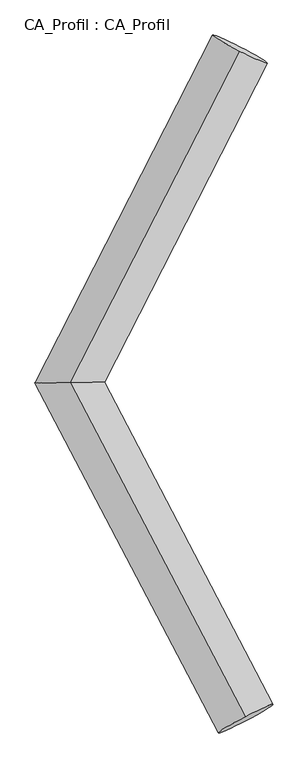
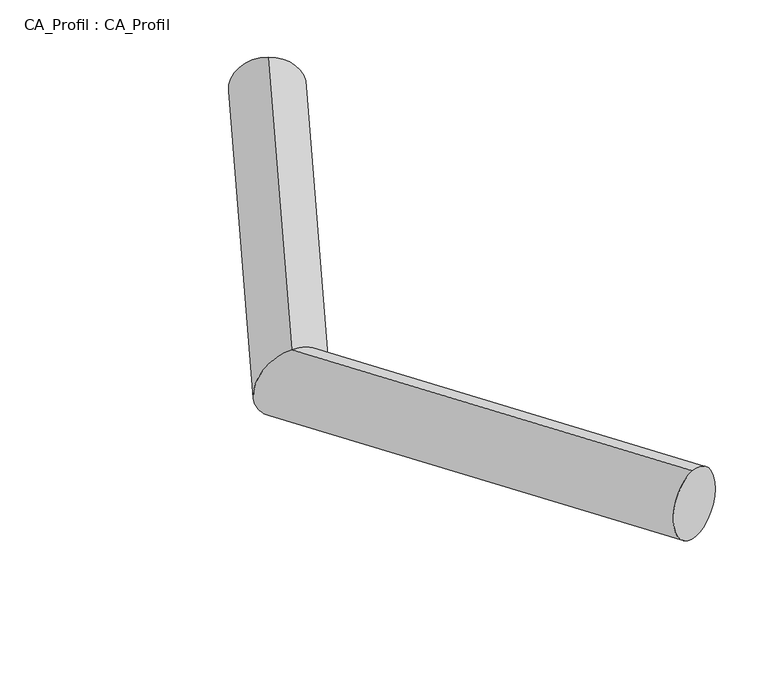
"""IFC4 building model written with IfcOpenShell, lengths in millimetres: plate geometry, CA_Profil : CA_Profil."""

from ifc_helpers import new_model, si_unit, frame, origin, place, context, project, spatial, circle_curve, ellipse_curve, source, transform, mapped, element, save
from ifc_brep_helpers import plane_surface, cylinder_surface, advanced_brep


def ca_profil_ca_profil_8d52cfd9(model_context):
    return source(origin(), model_context, "Body", "AdvancedBrep", [
        advanced_brep(
        [(6076.9893988, 8806.5514432, -152.2253743), (6069.5441457, 8774.5127025, 346.6915399), (4689.1317355, 6096.1788303, -346.9870154), (4697.9089124, 6095.8211697, 154.2064342), (6122.8099724, 3362.2212731, -153.9362164), (6115.0557664, 3393.3881887, 345.031213)],
        [
            (0, 1, circle_curve(frame((6073.2667723, 8790.5320729, 97.2330828), z_axis=(0.45484707517757783, 0.8882791717408637, 0.06382986177149318), x_axis=(-0.014890506278487356, -0.06407748140784422, 0.997833828450007)), 250.0)),
            (1, 0, circle_curve(frame((6073.2667723, 8790.5320729, 97.2330828), z_axis=(0.45484707517757783, 0.8882791717408637, 0.06382986177149318), x_axis=(-0.014890506278487356, -0.06407748140784422, 0.997833828450007)), 250.0)),
            (0, 2),
            (2, 3, ellipse_curve(frame((4693.520324, 6096.0, -96.3902906), z_axis=(-0.004887996305086142, 0.9999877343022803, 0.0007992103061896665), x_axis=(0.9906722042464411, 0.004733620200795698, 0.13618434775440338)), 282.1364731, 250.0)),
            (3, 1),
            (3, 2, ellipse_curve(frame((4693.520324, 6096.0, -96.3902906), z_axis=(-0.004887996305086142, 0.9999877343022803, 0.0007992103061896665), x_axis=(0.9906722042464411, 0.004733620200795698, 0.13618434775440338)), 282.1364731, 250.0)),
            (4, 5, circle_curve(frame((6118.9328694, 3377.8047309, 95.5474983), z_axis=(0.4635095431160724, -0.883891089162938, 0.06241350766208466), x_axis=(-0.01550841188705272, 0.06233383131737622, 0.997934858913165)), 250.0)),
            (5, 4, circle_curve(frame((6118.9328694, 3377.8047309, 95.5474983), z_axis=(0.4635095431160724, -0.883891089162938, 0.06241350766208466), x_axis=(-0.01550841188705272, 0.06233383131737622, 0.997934858913165)), 250.0)),
            (2, 4),
            (5, 3),
        ],
        [
            plane_surface(frame((6073.2667723, 8808.4503425, -152.1239616), z_axis=(0.45484707517757644, 0.8882791717408645, 0.06382986177149316), x_axis=(0.890569558317824, -0.4536772893637386, -0.032600290077949866))),
            cylinder_surface(frame((6073.2667723, 8790.5320729, 97.2330828), z_axis=(0.45484707517757794, 0.8882791717408639, 0.06382986177149319), x_axis=(-0.014890506278487356, -0.06407748140784422, 0.997833828450007)), 250.0),
            plane_surface(frame((6118.9328694, 3360.195523, -153.8315622), z_axis=(0.46350954311607184, -0.8838910891629385, 0.0624135076620846), x_axis=(0.8860919271951023, 0.46235829751789786, -0.03264814353099801))),
            cylinder_surface(frame((4693.520324, 6096.0, -96.3902906), z_axis=(-0.4635095431160724, 0.883891089162938, -0.06241350766208466), x_axis=(-0.01550841188705272, 0.06233383131737622, 0.997934858913165)), 250.0),
        ],
        [
            (0, [[1, 2]]),
            (1, [[-1, 3, 4, 5]]),
            (1, [[-2, -5, 6, -3]]),
            (2, [[7, 8]]),
            (3, [[-4, 9, -8, 10]]),
            (3, [[-6, -10, -7, -9]]),
        ],
    ),
    ])


if __name__ == "__main__":
    model = new_model("IFC4")
    model_context = context("Model", 3, world=origin())
    ifc_project = project(units=[si_unit("LENGTHUNIT", "METRE", prefix="MILLI")], contexts=[model_context])
    site = spatial("IfcSite", under=ifc_project)
    building = spatial("IfcBuilding", under=site)
    placement = place(None, origin())
    ca_profil_ca_profil_shape = ca_profil_ca_profil_8d52cfd9(model_context)
    element("IfcPlate", 1, ObjectType="CA_Profil : CA_Profil", at=placement, inside=building, context=model_context, shape_type="MappedRepresentation", body=[
        mapped(ca_profil_ca_profil_shape, transform((0.0, 0.0, 0.0), x_axis=(1.0, 0.0, 0.0), y_axis=(0.0, 1.0, 0.0), z_axis=(0.0, 0.0, 1.0))),
    ])
    save(model, "model.ifc")
